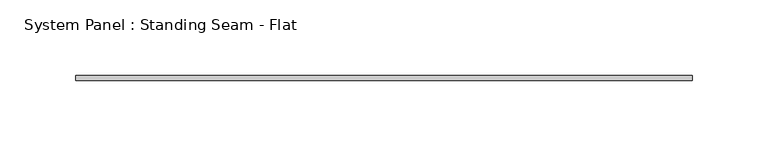
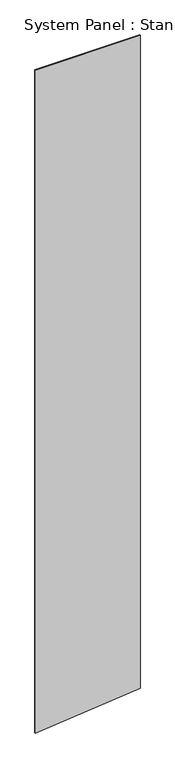
"""IFC4 building model written with IfcOpenShell, lengths in millimetres: plate geometry, System Panel : Standing Seam - Flat."""

import ifcopenshell
import ifcopenshell.guid

model = None  # the IFC model being written
_history = None  # IfcOwnerHistory: only IFC2X3 demands one
_inside = {}  # id of a spatial element -> (the spatial element, [elements in it])
_under = {}  # id of a project, library or spatial element -> (it, [spatial elements below it])
_declared = {}  # id of a project -> (the project, [libraries it declares])
_typed = {}  # id of a type object -> (the type object, [elements of that type])
_made_of = {}  # id of a material, layer set ... -> (it, [elements and type objects made of it])


def new_model(schema):
    """Start an empty IFC model of exactly this schema.

    Asked for "IFC4X3", IfcOpenShell would pick the latest addendum, in which some entities
    have other attributes; the version numbers below select the first issue.
    IFC2X3 requires an IfcOwnerHistory on every rooted entity: one is made here for all.
    """
    global model, _history
    if schema == "IFC4X3":
        model = ifcopenshell.file(schema_version=(4, 3, 0, 0))
    else:
        model = ifcopenshell.file(schema=schema)
    _inside.clear()
    _under.clear()
    _declared.clear()
    _typed.clear()
    _made_of.clear()
    _history = None
    if model.schema == "IFC2X3":
        org = make("IfcOrganization", Name="unknown")
        user = make(
            "IfcPersonAndOrganization",
            ThePerson=make("IfcPerson", FamilyName="unknown"),
            TheOrganization=org,
        )
        app = make(
            "IfcApplication",
            ApplicationDeveloper=org,
            Version="unknown",
            ApplicationFullName="unknown",
            ApplicationIdentifier="unknown",
        )
        _history = make(
            "IfcOwnerHistory",
            OwningUser=user,
            OwningApplication=app,
            ChangeAction="ADDED",
            CreationDate=0,
        )
    return model


def make(cls, **values):
    """One entity of the class cls with the attributes given. An attribute that is None is left unset."""
    return model.create_entity(
        cls, **{name: value for name, value in values.items() if value is not None}
    )


def rooted(cls, **values):
    """An entity with a GlobalId (a new one), such as an element, a storey or a relation."""
    return make(cls, GlobalId=ifcopenshell.guid.new(), OwnerHistory=_history, **values)


def si_unit(unit_type, name, prefix=None):
    """IfcSIUnit, for example si_unit("LENGTHUNIT", "METRE", prefix="MILLI")."""
    return make("IfcSIUnit", UnitType=unit_type, Prefix=prefix, Name=name)


def assignment(units):
    """IfcUnitAssignment: the units of a project."""
    return None if units is None else make("IfcUnitAssignment", Units=units)


def point(xyz):
    """IfcCartesianPoint."""
    return None if xyz is None else make("IfcCartesianPoint", Coordinates=xyz)


def direction(xyz):
    """IfcDirection."""
    return None if xyz is None else make("IfcDirection", DirectionRatios=xyz)


def frame(location, z_axis=None, x_axis=None):
    """IfcAxis2Placement3D, a coordinate frame: its origin and axes. An axis left out is left unset."""
    return make(
        "IfcAxis2Placement3D",
        Location=point(location),
        Axis=direction(z_axis),
        RefDirection=direction(x_axis),
    )


def origin():
    """The frame at (0, 0, 0) with its axes left unset."""
    return frame((0.0, 0.0, 0.0))


def place(relative_to, where):
    """IfcLocalPlacement: puts the frame where relative to a parent placement (None: the world)."""
    return make(
        "IfcLocalPlacement", PlacementRelTo=relative_to, RelativePlacement=where
    )


def context(
    kind, dimensions, precision=None, world=None, true_north=None, identifier=None
):
    """IfcGeometricRepresentationContext, for example the 3D "Model" context."""
    return make(
        "IfcGeometricRepresentationContext",
        ContextIdentifier=identifier,
        ContextType=kind,
        CoordinateSpaceDimension=dimensions,
        Precision=precision,
        WorldCoordinateSystem=world,
        TrueNorth=true_north,
    )


def project(units=None, contexts=None):
    """IfcProject with its units and contexts."""
    return rooted(
        "IfcProject",
        Name="project",
        RepresentationContexts=contexts,
        UnitsInContext=assignment(units),
    )


def spatial(cls, under=None, at=None, **own):
    """A site, building, storey or space (cls), placed at a placement, below another one or the project."""
    s = rooted(cls, ObjectPlacement=at, **own)
    if under is not None:
        _under.setdefault(under.id(), (under, []))[1].append(s)
    return s


def polyline(points):
    """IfcPolyline through the points."""
    return make("IfcPolyline", Points=[point(p) for p in points])


def outline(outer, holes=None, kind="AREA"):
    """IfcArbitraryClosedProfileDef: a profile drawn as a closed curve; with holes, ...WithVoids."""
    if holes is None:
        return make("IfcArbitraryClosedProfileDef", ProfileType=kind, OuterCurve=outer)
    return make(
        "IfcArbitraryProfileDefWithVoids",
        ProfileType=kind,
        OuterCurve=outer,
        InnerCurves=holes,
    )


def extrude(swept, where, along, depth):
    """IfcExtrudedAreaSolid: the profile swept, set in the frame where, extruded along a direction by depth."""
    return make(
        "IfcExtrudedAreaSolid",
        SweptArea=swept,
        Position=where,
        ExtrudedDirection=direction(along),
        Depth=depth,
    )


def shape(context_of_items, identifier, shape_type, items):
    """IfcShapeRepresentation: the items that make up one representation, for example the "Body"."""
    return make(
        "IfcShapeRepresentation",
        ContextOfItems=context_of_items,
        RepresentationIdentifier=identifier,
        RepresentationType=shape_type,
        Items=items,
    )


def source(mapping_origin, context_of_items, identifier, shape_type, items):
    """IfcRepresentationMap: a shape defined once, which mapped items show again and again."""
    return make(
        "IfcRepresentationMap",
        MappingOrigin=mapping_origin,
        MappedRepresentation=shape(context_of_items, identifier, shape_type, items),
    )


def transform(
    local_origin,
    x_axis=None,
    y_axis=None,
    z_axis=None,
    scale=None,
    scale2=None,
    scale3=None,
    uniform=True,
):
    """IfcCartesianTransformationOperator3D, or its non-uniform kind. x_axis, y_axis, z_axis: its Axis1, 2, 3."""
    if uniform:
        return make(
            "IfcCartesianTransformationOperator3D",
            Axis1=direction(x_axis),
            Axis2=direction(y_axis),
            LocalOrigin=point(local_origin),
            Scale=scale,
            Axis3=direction(z_axis),
        )
    return make(
        "IfcCartesianTransformationOperator3DnonUniform",
        Axis1=direction(x_axis),
        Axis2=direction(y_axis),
        LocalOrigin=point(local_origin),
        Scale=scale,
        Axis3=direction(z_axis),
        Scale2=scale2,
        Scale3=scale3,
    )


def mapped(mapping_source, mapping_target):
    """IfcMappedItem: shows the shape of a source again, moved by a transform."""
    return make(
        "IfcMappedItem", MappingSource=mapping_source, MappingTarget=mapping_target
    )


def made_of(thing, what):
    """Note that an element or type object is made of a material, layer set ...; save() writes the relation."""
    if what is not None:
        _made_of.setdefault(what.id(), (what, []))[1].append(thing)
    return thing


def element(
    cls,
    number,
    at=None,
    inside=None,
    cuts=None,
    type_object=None,
    material=None,
    context=None,
    identifier="Body",
    shape_type=None,
    held_by="IfcProductDefinitionShape",
    body=None,
    shapes=None,
    **own,
):
    """One element of the class cls, such as IfcWall. Its Tag is "e" and its number.

    at: its placement. inside: the storey or other place that contains it. cuts: it is an
    opening in that element (IfcRelVoidsElement). A single representation is given by context,
    identifier, shape_type and body (its items); several are given by shapes. held_by: the class
    of the entity that holds the representations. save() writes the other relations.
    """
    e = rooted(cls, Tag="e%d" % number, ObjectPlacement=at, **own)
    if body is not None:
        shapes = [shape(context, identifier, shape_type, body)]
    if shapes is not None:
        e.Representation = make(held_by, Representations=shapes)
    if inside is not None:
        _inside.setdefault(inside.id(), (inside, []))[1].append(e)
    if cuts is not None:
        rooted(
            "IfcRelVoidsElement", RelatingBuildingElement=cuts, RelatedOpeningElement=e
        )
    if type_object is not None:
        _typed.setdefault(type_object.id(), (type_object, []))[1].append(e)
    return made_of(e, material)


def aggregate(whole, parts):
    """IfcRelAggregates: a whole, such as a stair, and the parts it consists of."""
    return rooted("IfcRelAggregates", RelatingObject=whole, RelatedObjects=parts)


def save(model, path):
    """Write the relations noted so far, then the file.

    IfcRelAggregates (storeys below a building ...), IfcRelContainedInSpatialStructure (elements
    in a storey), IfcRelDefinesByType, IfcRelAssociatesMaterial and IfcRelDeclares: one each for
    every whole, place, type object, material and project.
    """
    for whole, parts in _under.values():
        aggregate(whole, parts)
    for where, things in _inside.values():
        rooted(
            "IfcRelContainedInSpatialStructure",
            RelatedElements=things,
            RelatingStructure=where,
        )
    for kind, things in _typed.values():
        rooted("IfcRelDefinesByType", RelatedObjects=things, RelatingType=kind)
    for what, things in _made_of.values():
        rooted("IfcRelAssociatesMaterial", RelatedObjects=things, RelatingMaterial=what)
    for by, libraries in _declared.values():
        rooted("IfcRelDeclares", RelatingContext=by, RelatedDefinitions=libraries)
    model.write(path)


def system_panel_standing_seam_flat_6383d661(model_context):
    return source(origin(), model_context, "Body", "SweptSolid", [
        extrude(outline(polyline([(0.0, -203.2), (41.2973855, 203.2), (2722.8031453, 203.2), (2722.8031453, -203.2), (0.0, -203.2)])), frame((0.0, -1.5875, 0.0), z_axis=(0.0, 1.0, 0.0), x_axis=(0.0, 0.0, 1.0)), (0.0, 0.0, 1.0), 3.175),
    ])


if __name__ == "__main__":
    model = new_model("IFC4")
    model_context = context("Model", 3, world=origin())
    ifc_project = project(units=[si_unit("LENGTHUNIT", "METRE", prefix="MILLI")], contexts=[model_context])
    site = spatial("IfcSite", under=ifc_project)
    building = spatial("IfcBuilding", under=site)
    placement = place(None, origin())
    system_panel_standing_seam_flat_shape = system_panel_standing_seam_flat_6383d661(model_context)
    element("IfcPlate", 1, ObjectType="System Panel : Standing Seam - Flat", at=placement, inside=building, context=model_context, shape_type="MappedRepresentation", body=[
        mapped(system_panel_standing_seam_flat_shape, transform((0.0, 0.0, 0.0), x_axis=(1.0, 0.0, 0.0), y_axis=(0.0, 1.0, 0.0), z_axis=(0.0, 0.0, 1.0))),
    ])
    save(model, "model.ifc")
